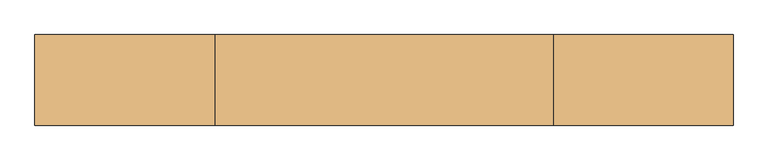
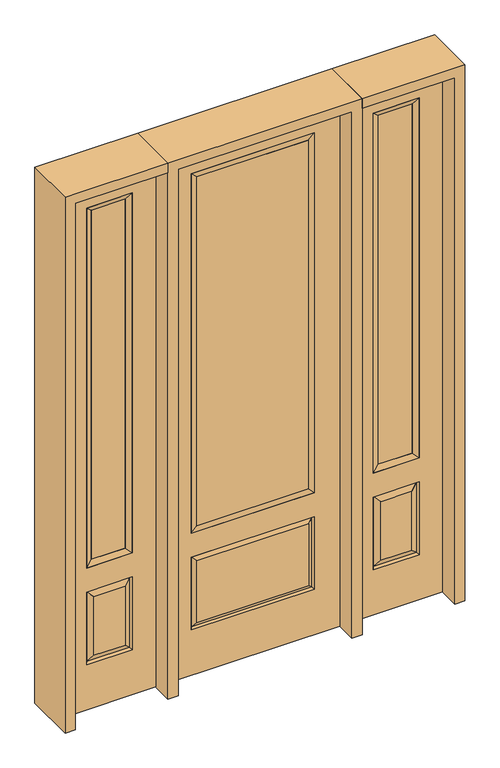
"""IFC4 building model written with IfcOpenShell, lengths in millimetres: door geometry."""

import ifcopenshell
import ifcopenshell.guid

model = None  # the IFC model being written
_history = None  # IfcOwnerHistory: only IFC2X3 demands one
_inside = {}  # id of a spatial element -> (the spatial element, [elements in it])
_under = {}  # id of a project, library or spatial element -> (it, [spatial elements below it])
_declared = {}  # id of a project -> (the project, [libraries it declares])
_typed = {}  # id of a type object -> (the type object, [elements of that type])
_made_of = {}  # id of a material, layer set ... -> (it, [elements and type objects made of it])


def new_model(schema):
    """Start an empty IFC model of exactly this schema.

    Asked for "IFC4X3", IfcOpenShell would pick the latest addendum, in which some entities
    have other attributes; the version numbers below select the first issue.
    IFC2X3 requires an IfcOwnerHistory on every rooted entity: one is made here for all.
    """
    global model, _history
    if schema == "IFC4X3":
        model = ifcopenshell.file(schema_version=(4, 3, 0, 0))
    else:
        model = ifcopenshell.file(schema=schema)
    _inside.clear()
    _under.clear()
    _declared.clear()
    _typed.clear()
    _made_of.clear()
    _history = None
    if model.schema == "IFC2X3":
        org = make("IfcOrganization", Name="unknown")
        user = make(
            "IfcPersonAndOrganization",
            ThePerson=make("IfcPerson", FamilyName="unknown"),
            TheOrganization=org,
        )
        app = make(
            "IfcApplication",
            ApplicationDeveloper=org,
            Version="unknown",
            ApplicationFullName="unknown",
            ApplicationIdentifier="unknown",
        )
        _history = make(
            "IfcOwnerHistory",
            OwningUser=user,
            OwningApplication=app,
            ChangeAction="ADDED",
            CreationDate=0,
        )
    return model


def make(cls, **values):
    """One entity of the class cls with the attributes given. An attribute that is None is left unset."""
    return model.create_entity(
        cls, **{name: value for name, value in values.items() if value is not None}
    )


def rooted(cls, **values):
    """An entity with a GlobalId (a new one), such as an element, a storey or a relation."""
    return make(cls, GlobalId=ifcopenshell.guid.new(), OwnerHistory=_history, **values)


def si_unit(unit_type, name, prefix=None):
    """IfcSIUnit, for example si_unit("LENGTHUNIT", "METRE", prefix="MILLI")."""
    return make("IfcSIUnit", UnitType=unit_type, Prefix=prefix, Name=name)


def assignment(units):
    """IfcUnitAssignment: the units of a project."""
    return None if units is None else make("IfcUnitAssignment", Units=units)


def point(xyz):
    """IfcCartesianPoint."""
    return None if xyz is None else make("IfcCartesianPoint", Coordinates=xyz)


def direction(xyz):
    """IfcDirection."""
    return None if xyz is None else make("IfcDirection", DirectionRatios=xyz)


def frame(location, z_axis=None, x_axis=None):
    """IfcAxis2Placement3D, a coordinate frame: its origin and axes. An axis left out is left unset."""
    return make(
        "IfcAxis2Placement3D",
        Location=point(location),
        Axis=direction(z_axis),
        RefDirection=direction(x_axis),
    )


def origin():
    """The frame at (0, 0, 0) with its axes left unset."""
    return frame((0.0, 0.0, 0.0))


def place(relative_to, where):
    """IfcLocalPlacement: puts the frame where relative to a parent placement (None: the world)."""
    return make(
        "IfcLocalPlacement", PlacementRelTo=relative_to, RelativePlacement=where
    )


def context(
    kind, dimensions, precision=None, world=None, true_north=None, identifier=None
):
    """IfcGeometricRepresentationContext, for example the 3D "Model" context."""
    return make(
        "IfcGeometricRepresentationContext",
        ContextIdentifier=identifier,
        ContextType=kind,
        CoordinateSpaceDimension=dimensions,
        Precision=precision,
        WorldCoordinateSystem=world,
        TrueNorth=true_north,
    )


def project(units=None, contexts=None):
    """IfcProject with its units and contexts."""
    return rooted(
        "IfcProject",
        Name="project",
        RepresentationContexts=contexts,
        UnitsInContext=assignment(units),
    )


def spatial(cls, under=None, at=None, **own):
    """A site, building, storey or space (cls), placed at a placement, below another one or the project."""
    s = rooted(cls, ObjectPlacement=at, **own)
    if under is not None:
        _under.setdefault(under.id(), (under, []))[1].append(s)
    return s


def polyline(points):
    """IfcPolyline through the points."""
    return make("IfcPolyline", Points=[point(p) for p in points])


def outline(outer, holes=None, kind="AREA"):
    """IfcArbitraryClosedProfileDef: a profile drawn as a closed curve; with holes, ...WithVoids."""
    if holes is None:
        return make("IfcArbitraryClosedProfileDef", ProfileType=kind, OuterCurve=outer)
    return make(
        "IfcArbitraryProfileDefWithVoids",
        ProfileType=kind,
        OuterCurve=outer,
        InnerCurves=holes,
    )


def extrude(swept, where, along, depth):
    """IfcExtrudedAreaSolid: the profile swept, set in the frame where, extruded along a direction by depth."""
    return make(
        "IfcExtrudedAreaSolid",
        SweptArea=swept,
        Position=where,
        ExtrudedDirection=direction(along),
        Depth=depth,
    )


def faces_of(points, faces, orient=None, outer=None):
    """IfcFace entities. A face is a list of loops; a loop is a list of indices into points, from 0.

    orient and outer hold one flag for each loop. By default every Orientation is true, the
    first loop of a face is its IfcFaceOuterBound and the others are IfcFaceBound.
    """
    made = []
    for i, loops in enumerate(faces):
        bounds = []
        for j, loop in enumerate(loops):
            is_outer = j == 0 if outer is None else outer[i][j]
            bounds.append(
                make(
                    "IfcFaceOuterBound" if is_outer else "IfcFaceBound",
                    Bound=make("IfcPolyLoop", Polygon=[points[k] for k in loop]),
                    Orientation=True if orient is None else orient[i][j],
                )
            )
        made.append(make("IfcFace", Bounds=bounds))
    return made


def faceted_brep(points, faces, orient=None, outer=None, voids=None):
    """IfcFacetedBrep: a solid bounded by flat faces; with voids (closed shells), ...WithVoids."""
    shared = [point(p) for p in points]
    hull = make("IfcClosedShell", CfsFaces=faces_of(shared, faces, orient, outer))
    if voids is None:
        return make("IfcFacetedBrep", Outer=hull)
    return make(
        "IfcFacetedBrepWithVoids",
        Outer=hull,
        Voids=[
            make(cls, CfsFaces=faces_of(shared, fs, o, b)) for cls, fs, o, b in voids
        ],
    )


def shape(context_of_items, identifier, shape_type, items):
    """IfcShapeRepresentation: the items that make up one representation, for example the "Body"."""
    return make(
        "IfcShapeRepresentation",
        ContextOfItems=context_of_items,
        RepresentationIdentifier=identifier,
        RepresentationType=shape_type,
        Items=items,
    )


def source(mapping_origin, context_of_items, identifier, shape_type, items):
    """IfcRepresentationMap: a shape defined once, which mapped items show again and again."""
    return make(
        "IfcRepresentationMap",
        MappingOrigin=mapping_origin,
        MappedRepresentation=shape(context_of_items, identifier, shape_type, items),
    )


def transform(
    local_origin,
    x_axis=None,
    y_axis=None,
    z_axis=None,
    scale=None,
    scale2=None,
    scale3=None,
    uniform=True,
):
    """IfcCartesianTransformationOperator3D, or its non-uniform kind. x_axis, y_axis, z_axis: its Axis1, 2, 3."""
    if uniform:
        return make(
            "IfcCartesianTransformationOperator3D",
            Axis1=direction(x_axis),
            Axis2=direction(y_axis),
            LocalOrigin=point(local_origin),
            Scale=scale,
            Axis3=direction(z_axis),
        )
    return make(
        "IfcCartesianTransformationOperator3DnonUniform",
        Axis1=direction(x_axis),
        Axis2=direction(y_axis),
        LocalOrigin=point(local_origin),
        Scale=scale,
        Axis3=direction(z_axis),
        Scale2=scale2,
        Scale3=scale3,
    )


def mapped(mapping_source, mapping_target):
    """IfcMappedItem: shows the shape of a source again, moved by a transform."""
    return make(
        "IfcMappedItem", MappingSource=mapping_source, MappingTarget=mapping_target
    )


def made_of(thing, what):
    """Note that an element or type object is made of a material, layer set ...; save() writes the relation."""
    if what is not None:
        _made_of.setdefault(what.id(), (what, []))[1].append(thing)
    return thing


def element(
    cls,
    number,
    at=None,
    inside=None,
    cuts=None,
    type_object=None,
    material=None,
    context=None,
    identifier="Body",
    shape_type=None,
    held_by="IfcProductDefinitionShape",
    body=None,
    shapes=None,
    **own,
):
    """One element of the class cls, such as IfcWall. Its Tag is "e" and its number.

    at: its placement. inside: the storey or other place that contains it. cuts: it is an
    opening in that element (IfcRelVoidsElement). A single representation is given by context,
    identifier, shape_type and body (its items); several are given by shapes. held_by: the class
    of the entity that holds the representations. save() writes the other relations.
    """
    e = rooted(cls, Tag="e%d" % number, ObjectPlacement=at, **own)
    if body is not None:
        shapes = [shape(context, identifier, shape_type, body)]
    if shapes is not None:
        e.Representation = make(held_by, Representations=shapes)
    if inside is not None:
        _inside.setdefault(inside.id(), (inside, []))[1].append(e)
    if cuts is not None:
        rooted(
            "IfcRelVoidsElement", RelatingBuildingElement=cuts, RelatedOpeningElement=e
        )
    if type_object is not None:
        _typed.setdefault(type_object.id(), (type_object, []))[1].append(e)
    return made_of(e, material)


def aggregate(whole, parts):
    """IfcRelAggregates: a whole, such as a stair, and the parts it consists of."""
    return rooted("IfcRelAggregates", RelatingObject=whole, RelatedObjects=parts)


def save(model, path):
    """Write the relations noted so far, then the file.

    IfcRelAggregates (storeys below a building ...), IfcRelContainedInSpatialStructure (elements
    in a storey), IfcRelDefinesByType, IfcRelAssociatesMaterial and IfcRelDeclares: one each for
    every whole, place, type object, material and project.
    """
    for whole, parts in _under.values():
        aggregate(whole, parts)
    for where, things in _inside.values():
        rooted(
            "IfcRelContainedInSpatialStructure",
            RelatedElements=things,
            RelatingStructure=where,
        )
    for kind, things in _typed.values():
        rooted("IfcRelDefinesByType", RelatedObjects=things, RelatingType=kind)
    for what, things in _made_of.values():
        rooted("IfcRelAssociatesMaterial", RelatedObjects=things, RelatingMaterial=what)
    for by, libraries in _declared.values():
        rooted("IfcRelDeclares", RelatingContext=by, RelatedDefinitions=libraries)
    model.write(path)


def door_07d34f1c(model_context):
    return source(origin(), model_context, "Body", "SolidModel", [
        faceted_brep([(425.45, -22.225, 0.0), (831.85, -22.225, 0.0), (831.85, -22.225, 2438.4), (425.45, -22.225, 2438.4), (728.98, -22.225, 2325.624), (728.98, -22.225, 657.098), (528.32, -22.225, 657.098), (528.32, -22.225, 2325.624), (728.98, -22.225, 209.55), (528.32, -22.225, 209.55), (528.32, -22.225, 546.1), (728.98, -22.225, 546.1), (560.0351001, -22.225, 241.2651001), (697.2648999, -22.225, 241.2651001), (697.2648999, -22.225, 514.3848999), (560.0351001, -22.225, 514.3848999), (425.45, 22.225, 0.0), (425.45, 22.225, 2438.4), (831.85, 22.225, 2438.4), (831.85, 22.225, 0.0), (728.98, 22.225, 2325.624), (528.32, 22.225, 2325.624), (528.32, 22.225, 657.098), (728.98, 22.225, 657.098), (528.32, 22.225, 209.55), (728.98, 22.225, 209.55), (728.98, 22.225, 546.1), (528.32, 22.225, 546.1), (697.2648999, 22.225, 241.2651001), (560.0351001, 22.225, 241.2651001), (560.0351001, 22.225, 514.3848999), (697.2648999, 22.225, 514.3848999), (721.8711499, 12.7912373, 216.6588501), (535.4288501, 12.7912373, 216.6588501), (535.4288501, 12.7912373, 538.9911499), (721.8711499, 12.7912373, 538.9911499), (535.4288501, -12.7912373, 216.6588501), (721.8711499, -12.7912373, 216.6588501), (535.4288501, -12.7912373, 538.9911499), (721.8711499, -12.7912373, 538.9911499)], [[[0, 1, 2, 3], [4, 5, 6, 7], [8, 9, 10, 11]], [[12, 13, 14, 15]], [[16, 17, 18, 19], [20, 21, 22, 23], [24, 25, 26, 27]], [[28, 29, 30, 31]], [[1, 0, 16, 19]], [[2, 1, 19, 18]], [[3, 2, 18, 17]], [[0, 3, 17, 16]], [[5, 4, 20, 23]], [[6, 5, 23, 22]], [[7, 6, 22, 21]], [[4, 7, 21, 20]], [[32, 33, 29, 28]], [[33, 32, 25, 24]], [[29, 33, 34, 30]], [[33, 24, 27, 34]], [[30, 34, 35, 31]], [[34, 27, 26, 35]], [[32, 28, 31, 35]], [[25, 32, 35, 26]], [[12, 36, 37, 13]], [[37, 36, 9, 8]], [[36, 12, 15, 38]], [[9, 36, 38, 10]], [[38, 15, 14, 39]], [[10, 38, 39, 11]], [[13, 37, 39, 14]], [[37, 8, 11, 39]]]),
        faceted_brep([(528.32, 22.225, 2325.624), (528.32, -22.225, 2325.624), (728.98, -22.225, 2325.624), (728.98, 22.225, 2325.624), (553.72, 12.7, 2300.224), (703.58, 12.7, 2300.224), (553.72, -12.7, 2300.224), (703.58, -12.7, 2300.224), (728.98, -22.225, 657.098), (728.98, 22.225, 657.098), (703.58, 12.7, 682.498), (703.58, -12.7, 682.498), (528.32, -22.225, 657.098), (528.32, 22.225, 657.098), (553.72, 12.7, 682.498), (553.72, -12.7, 682.498)], [[[0, 1, 2, 3]], [[4, 0, 3, 5]], [[6, 4, 5, 7]], [[1, 6, 7, 2]], [[3, 2, 8, 9]], [[5, 3, 9, 10]], [[7, 5, 10, 11]], [[2, 7, 11, 8]], [[9, 8, 12, 13]], [[10, 9, 13, 14]], [[11, 10, 14, 15]], [[8, 11, 15, 12]], [[13, 12, 1, 0]], [[14, 13, 0, 4]], [[15, 14, 4, 6]], [[12, 15, 6, 1]]]),
        extrude(outline(polyline([(703.58, -12.7), (553.72, -12.7), (553.72, 12.7), (703.58, 12.7), (703.58, -12.7)])), frame((0.0, 0.0, 682.498), z_axis=(0.0, 0.0, 1.0), x_axis=(1.0, 0.0, 0.0)), (0.0, 0.0, 1.0), 1617.726),
        faceted_brep([(-831.85, -22.225, 0.0), (-425.45, -22.225, 0.0), (-425.45, -22.225, 2438.4), (-831.85, -22.225, 2438.4), (-528.32, -22.225, 2325.624), (-528.32, -22.225, 657.098), (-728.98, -22.225, 657.098), (-728.98, -22.225, 2325.624), (-528.32, -22.225, 209.55), (-728.98, -22.225, 209.55), (-728.98, -22.225, 546.1), (-528.32, -22.225, 546.1), (-697.2648999, -22.225, 241.2651001), (-560.0351001, -22.225, 241.2651001), (-560.0351001, -22.225, 514.3848999), (-697.2648999, -22.225, 514.3848999), (-831.85, 22.225, 0.0), (-831.85, 22.225, 2438.4), (-425.45, 22.225, 2438.4), (-425.45, 22.225, 0.0), (-528.32, 22.225, 2325.624), (-728.98, 22.225, 2325.624), (-728.98, 22.225, 657.098), (-528.32, 22.225, 657.098), (-728.98, 22.225, 209.55), (-528.32, 22.225, 209.55), (-528.32, 22.225, 546.1), (-728.98, 22.225, 546.1), (-560.0351001, 22.225, 241.2651001), (-697.2648999, 22.225, 241.2651001), (-697.2648999, 22.225, 514.3848999), (-560.0351001, 22.225, 514.3848999), (-535.4288501, 12.7912373, 216.6588501), (-721.8711499, 12.7912373, 216.6588501), (-721.8711499, 12.7912373, 538.9911499), (-535.4288501, 12.7912373, 538.9911499), (-721.8711499, -12.7912373, 216.6588501), (-535.4288501, -12.7912373, 216.6588501), (-721.8711499, -12.7912373, 538.9911499), (-535.4288501, -12.7912373, 538.9911499)], [[[0, 1, 2, 3], [4, 5, 6, 7], [8, 9, 10, 11]], [[12, 13, 14, 15]], [[16, 17, 18, 19], [20, 21, 22, 23], [24, 25, 26, 27]], [[28, 29, 30, 31]], [[1, 0, 16, 19]], [[2, 1, 19, 18]], [[3, 2, 18, 17]], [[0, 3, 17, 16]], [[5, 4, 20, 23]], [[6, 5, 23, 22]], [[7, 6, 22, 21]], [[4, 7, 21, 20]], [[32, 33, 29, 28]], [[33, 32, 25, 24]], [[29, 33, 34, 30]], [[33, 24, 27, 34]], [[30, 34, 35, 31]], [[34, 27, 26, 35]], [[32, 28, 31, 35]], [[25, 32, 35, 26]], [[12, 36, 37, 13]], [[37, 36, 9, 8]], [[36, 12, 15, 38]], [[9, 36, 38, 10]], [[38, 15, 14, 39]], [[10, 38, 39, 11]], [[13, 37, 39, 14]], [[37, 8, 11, 39]]]),
        faceted_brep([(-728.98, 22.225, 2325.624), (-728.98, -22.225, 2325.624), (-528.32, -22.225, 2325.624), (-528.32, 22.225, 2325.624), (-703.58, 12.7, 2300.224), (-553.72, 12.7, 2300.224), (-703.58, -12.7, 2300.224), (-553.72, -12.7, 2300.224), (-528.32, -22.225, 657.098), (-528.32, 22.225, 657.098), (-553.72, 12.7, 682.498), (-553.72, -12.7, 682.498), (-728.98, -22.225, 657.098), (-728.98, 22.225, 657.098), (-703.58, 12.7, 682.498), (-703.58, -12.7, 682.498)], [[[0, 1, 2, 3]], [[4, 0, 3, 5]], [[6, 4, 5, 7]], [[1, 6, 7, 2]], [[3, 2, 8, 9]], [[5, 3, 9, 10]], [[7, 5, 10, 11]], [[2, 7, 11, 8]], [[9, 8, 12, 13]], [[10, 9, 13, 14]], [[11, 10, 14, 15]], [[8, 11, 15, 12]], [[13, 12, 1, 0]], [[14, 13, 0, 4]], [[15, 14, 4, 6]], [[12, 15, 6, 1]]]),
        extrude(outline(polyline([(-553.72, -12.7), (-703.58, -12.7), (-703.58, 12.7), (-553.72, 12.7), (-553.72, -12.7)])), frame((0.0, 0.0, 682.498), z_axis=(0.0, 0.0, 1.0), x_axis=(1.0, 0.0, 0.0)), (0.0, 0.0, 1.0), 1617.726),
        extrude(outline(polyline([(244.475, -20.32), (-244.475, -20.32), (-244.475, 5.08), (244.475, 5.08), (244.475, -20.32)])), frame((0.0, 0.0, 682.498), z_axis=(0.0, 0.0, 1.0), x_axis=(1.0, 0.0, 0.0)), (0.0, 0.0, 1.0), 1616.202),
        faceted_brep([(-262.7661499, -12.7912373, 216.6588501), (262.7661499, -12.7912373, 216.6588501), (245.26875, -22.225, 234.15625), (-245.26875, -22.225, 234.15625), (-269.875, -22.225, 209.55), (269.875, -22.225, 209.55), (-262.7661499, -12.7912373, 538.9911499), (-269.875, -22.225, 546.1), (245.26875, -22.225, 521.49375), (-245.26875, -22.225, 521.49375), (381.0, -22.225, 2438.4), (-381.0, -22.225, 2438.4), (-381.0, -22.225, 0.0), (381.0, -22.225, 0.0), (269.875, -22.225, 546.1), (269.875, -22.225, 2324.1), (269.875, -22.225, 657.098), (-269.875, -22.225, 657.098), (-269.875, -22.225, 2324.1), (262.7661499, -12.7912373, 538.9911499), (-381.0, 22.225, 2438.4), (-381.0, 22.225, 0.0), (381.0, 22.225, 0.0), (381.0, 22.225, 2438.4), (269.875, 22.225, 2324.1), (269.875, 22.225, 657.098), (-269.875, 22.225, 657.098), (-269.875, 22.225, 2324.1), (-269.875, 22.225, 209.55), (269.875, 22.225, 209.55), (269.875, 22.225, 546.1), (-269.875, 22.225, 546.1), (245.26875, 22.225, 234.15625), (-245.26875, 22.225, 234.15625), (-245.26875, 22.225, 521.49375), (245.26875, 22.225, 521.49375), (-262.7661499, 12.7912373, 216.6588501), (262.7661499, 12.7912373, 216.6588501), (262.7661499, 12.7912373, 538.9911499), (-262.7661499, 12.7912373, 538.9911499)], [[[0, 1, 2, 3]], [[1, 0, 4, 5]], [[4, 0, 6, 7]], [[3, 2, 8, 9]], [[10, 11, 12, 13], [5, 4, 7, 14], [15, 16, 17, 18]], [[1, 5, 14, 19]], [[2, 1, 19, 8]], [[0, 3, 9, 6]], [[7, 6, 19, 14]], [[6, 9, 8, 19]], [[12, 11, 20, 21]], [[13, 12, 21, 22]], [[10, 13, 22, 23]], [[16, 15, 24, 25]], [[17, 16, 25, 26]], [[18, 17, 26, 27]], [[23, 22, 21, 20], [28, 29, 30, 31], [24, 27, 26, 25]], [[32, 33, 34, 35]], [[28, 36, 37, 29]], [[29, 37, 38, 30]], [[39, 31, 30, 38]], [[36, 28, 31, 39]], [[37, 36, 33, 32]], [[33, 36, 39, 34]], [[34, 39, 38, 35]], [[37, 32, 35, 38]], [[11, 10, 23, 20]], [[15, 18, 27, 24]]]),
        faceted_brep([(-269.875, -22.225, 2324.1), (-269.875, 22.225, 2324.1), (-269.875, 22.225, 657.098), (-269.875, -22.225, 657.098), (269.875, 22.225, 657.098), (269.875, -22.225, 657.098), (-244.475, 5.08, 682.498), (244.475, 5.08, 682.498), (269.875, 22.225, 2324.1), (269.875, -22.225, 2324.1), (-244.475, -20.32, 682.498), (244.475, -20.32, 682.498), (-244.475, -20.32, 2298.7), (244.475, -20.32, 2298.7), (-244.475, 5.08, 2298.7), (244.475, 5.08, 2298.7)], [[[0, 1, 2, 3]], [[3, 2, 4, 5]], [[2, 6, 7, 4]], [[5, 4, 8, 9]], [[10, 3, 5, 11]], [[12, 0, 3, 10]], [[11, 5, 9, 13]], [[6, 10, 11, 7]], [[14, 12, 10, 6]], [[7, 11, 13, 15]], [[1, 14, 6, 2]], [[4, 7, 15, 8]], [[9, 8, 1, 0]], [[13, 9, 0, 12]], [[15, 13, 12, 14]], [[8, 15, 14, 1]]]),
        extrude(outline(polyline([(2438.4, -425.45), (2482.85, -425.45), (2482.85, -876.3), (0.0, -876.3), (0.0, -831.85), (2438.4, -831.85), (2438.4, -425.45)])), frame((0.0, -114.3, 0.0), z_axis=(0.0, 1.0, 0.0), x_axis=(0.0, 0.0, 1.0)), (0.0, 0.0, 1.0), 228.6),
        extrude(outline(polyline([(2482.85, -425.45), (0.0, -425.45), (0.0, -381.0), (2438.4, -381.0), (2438.4, 381.0), (0.0, 381.0), (0.0, 425.45), (2482.85, 425.45), (2482.85, -425.45)])), frame((0.0, -114.3, 0.0), z_axis=(0.0, 1.0, 0.0), x_axis=(0.0, 0.0, 1.0)), (0.0, 0.0, 1.0), 228.6),
        extrude(outline(polyline([(0.0, 831.85), (0.0, 876.3), (2482.85, 876.3), (2482.85, 425.45), (2438.4, 425.45), (2438.4, 831.85), (0.0, 831.85)])), frame((0.0, -114.3, 0.0), z_axis=(0.0, 1.0, 0.0), x_axis=(0.0, 0.0, 1.0)), (0.0, 0.0, 1.0), 228.6),
    ])


if __name__ == "__main__":
    model = new_model("IFC4")
    model_context = context("Model", 3, world=origin())
    ifc_project = project(units=[si_unit("LENGTHUNIT", "METRE", prefix="MILLI")], contexts=[model_context])
    site = spatial("IfcSite", under=ifc_project)
    building = spatial("IfcBuilding", under=site)
    placement = place(None, origin())
    door_shape = door_07d34f1c(model_context)
    element("IfcDoor", 1, at=placement, inside=building, context=model_context, shape_type="MappedRepresentation", body=[
        mapped(door_shape, transform((0.0, 0.0, 0.0), x_axis=(1.0, 0.0, 0.0), y_axis=(0.0, 1.0, 0.0), z_axis=(0.0, 0.0, 1.0))),
    ])
    save(model, "model.ifc")
